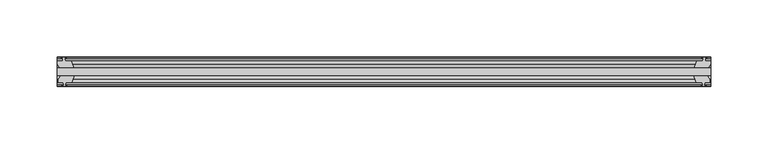
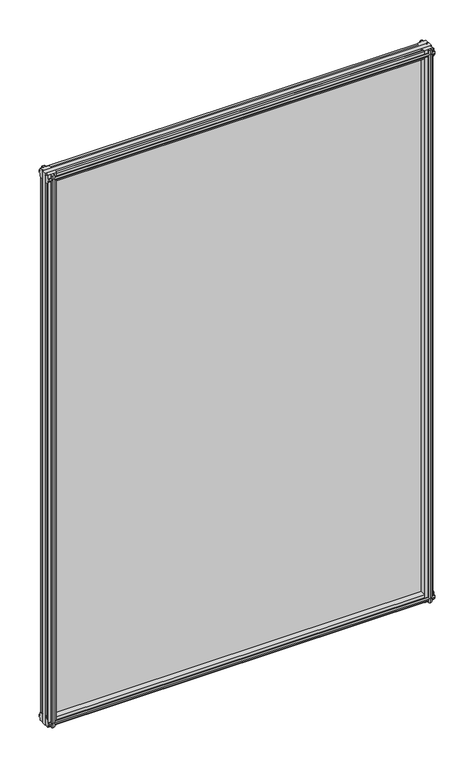
"""IFC4 building model written with IfcOpenShell, lengths in millimetres: plate geometry."""

from ifc_helpers import new_model, si_unit, frame, origin, place, context, project, spatial, polyline, outline, extrude, source, transform, mapped, element, save


def plate_bd9ddd2d(model_context):
    return source(origin(), model_context, "Body", "SweptSolid", [
        extrude(outline(polyline([(-285.75, -19.5460937), (285.75, -19.5460937), (285.75, -25.8960937), (-285.75, -25.8960937), (-285.75, -19.5460937)])), frame((0.0, 0.0, -12.7), z_axis=(0.0, 0.0, 1.0), x_axis=(1.0, 0.0, 0.0)), (0.0, 0.0, 1.0), 863.6),
        extrude(outline(polyline([(282.7753038, -25.8960937), (284.988, -29.2996938), (284.988, -32.2460938), (280.543, -32.2460938), (280.162, -34.6262907), (281.5775291, -34.1663575), (281.5775291, -34.9675717), (279.4, -35.6750938), (277.2224709, -34.9675717), (277.2224709, -34.1663575), (278.638, -34.6262907), (278.257, -32.2460938), (273.05, -32.2460938), (270.9447229, -25.8960937), (282.7753038, -25.8960937)])), frame((0.0, 0.0, -12.7), z_axis=(0.0, 0.0, 1.0), x_axis=(1.0, 0.0, 0.0)), (0.0, 0.0, 1.0), 863.6),
        extrude(outline(polyline([(277.7431709, -10.4746158), (279.9207, -9.7670938), (282.098229, -10.4746158), (282.098229, -11.27583), (280.6827, -10.8158968), (281.0637, -13.1960938), (285.5087, -13.1960938), (285.5087, -16.1424938), (283.2960038, -19.5460937), (271.4654229, -19.5460937), (273.5707, -13.1960938), (278.7777, -13.1960938), (279.1587, -10.8158968), (277.7431709, -11.27583), (277.7431709, -10.4746158)])), frame((0.0, 0.0, -12.7), z_axis=(0.0, 0.0, 1.0), x_axis=(1.0, 0.0, 0.0)), (0.0, 0.0, 1.0), 863.6),
        extrude(outline(polyline([(-270.9447229, -25.8960937), (-273.05, -32.2460937), (-278.257, -32.2460937), (-278.638, -34.6262907), (-277.2224709, -34.1663575), (-277.2224709, -34.9675717), (-279.4, -35.6750937), (-281.5775291, -34.9675717), (-281.5775291, -34.1663575), (-280.162, -34.6262907), (-280.543, -32.2460937), (-284.988, -32.2460937), (-284.988, -29.2996937), (-282.7753038, -25.8960937), (-270.9447229, -25.8960937)])), frame((0.0, 0.0, -12.7), z_axis=(0.0, 0.0, 1.0), x_axis=(1.0, 0.0, 0.0)), (0.0, 0.0, 1.0), 863.6),
        extrude(outline(polyline([(-280.6827, -10.8158968), (-282.098229, -11.27583), (-282.098229, -10.4746158), (-279.9207, -9.7670937), (-277.7431709, -10.4746158), (-277.7431709, -11.27583), (-279.1587, -10.8158968), (-278.7777, -13.1960937), (-273.5707, -13.1960937), (-271.4654229, -19.5460937), (-283.2960038, -19.5460937), (-285.5087, -16.1424937), (-285.5087, -13.1960937), (-281.0637, -13.1960937), (-280.6827, -10.8158968)])), frame((0.0, 0.0, -12.7), z_axis=(0.0, 0.0, 1.0), x_axis=(1.0, 0.0, 0.0)), (0.0, 0.0, 1.0), 863.6),
        extrude(outline(polyline([(-13.1960937, 850.6587), (-13.1960937, 846.2137), (-10.8158968, 845.8327), (-11.27583, 847.248229), (-10.4746158, 847.248229), (-9.7670937, 845.0707), (-10.4746158, 842.8931709), (-11.27583, 842.8931709), (-10.8158968, 844.3087), (-13.1960937, 843.9277), (-13.1960937, 838.7207), (-19.5460937, 836.6154229), (-19.5460937, 848.4460038), (-16.1424937, 850.6587), (-13.1960937, 850.6587)])), frame((-285.75, 0.0, 0.0), z_axis=(1.0, 0.0, 0.0), x_axis=(0.0, 1.0, 0.0)), (0.0, 0.0, 1.0), 571.5),
        extrude(outline(polyline([(-29.2996937, 850.138), (-25.8960937, 847.9253038), (-25.8960937, 836.0947229), (-32.2460937, 838.2), (-32.2460937, 843.407), (-34.6262907, 843.788), (-34.1663575, 842.3724709), (-34.9675717, 842.3724709), (-35.6750937, 844.55), (-34.9675717, 846.7275291), (-34.1663575, 846.7275291), (-34.6262907, 845.312), (-32.2460937, 845.693), (-32.2460937, 850.138), (-29.2996937, 850.138)])), frame((-285.75, 0.0, 0.0), z_axis=(1.0, 0.0, 0.0), x_axis=(0.0, 1.0, 0.0)), (0.0, 0.0, 1.0), 571.5),
        extrude(outline(polyline([(-25.8960937, 2.1052771), (-25.8960937, -9.7253038), (-29.2996937, -11.938), (-32.2460937, -11.938), (-32.2460937, -7.493), (-34.6262907, -7.112), (-34.1663575, -8.5275291), (-34.9675717, -8.5275291), (-35.6750937, -6.35), (-34.9675717, -4.1724709), (-34.1663575, -4.1724709), (-34.6262907, -5.588), (-32.2460937, -5.207), (-32.2460937, 0.0), (-25.8960937, 2.1052771)])), frame((-285.75, 0.0, 0.0), z_axis=(1.0, 0.0, 0.0), x_axis=(0.0, 1.0, 0.0)), (0.0, 0.0, 1.0), 571.5),
        extrude(outline(polyline([(-19.5460937, 1.5845771), (-13.1960937, -0.5207), (-13.1960937, -5.7277), (-10.8158968, -6.1087), (-11.27583, -4.6931709), (-10.4746158, -4.6931709), (-9.7670937, -6.8707), (-10.4746158, -9.048229), (-11.27583, -9.048229), (-10.8158968, -7.6327), (-13.1960937, -8.0137), (-13.1960937, -12.4587), (-16.1424937, -12.4587), (-19.5460937, -10.2460038), (-19.5460937, 1.5845771)])), frame((-285.75, 0.0, 0.0), z_axis=(1.0, 0.0, 0.0), x_axis=(0.0, 1.0, 0.0)), (0.0, 0.0, 1.0), 571.5),
    ])


if __name__ == "__main__":
    model = new_model("IFC4")
    model_context = context("Model", 3, world=origin())
    ifc_project = project(units=[si_unit("LENGTHUNIT", "METRE", prefix="MILLI")], contexts=[model_context])
    site = spatial("IfcSite", under=ifc_project)
    building = spatial("IfcBuilding", under=site)
    placement = place(None, origin())
    plate_shape = plate_bd9ddd2d(model_context)
    element("IfcPlate", 1, at=placement, inside=building, context=model_context, shape_type="MappedRepresentation", body=[
        mapped(plate_shape, transform((0.0, 0.0, 0.0), x_axis=(1.0, 0.0, 0.0), y_axis=(0.0, 1.0, 0.0), z_axis=(0.0, 0.0, 1.0))),
    ])
    save(model, "model.ifc")
